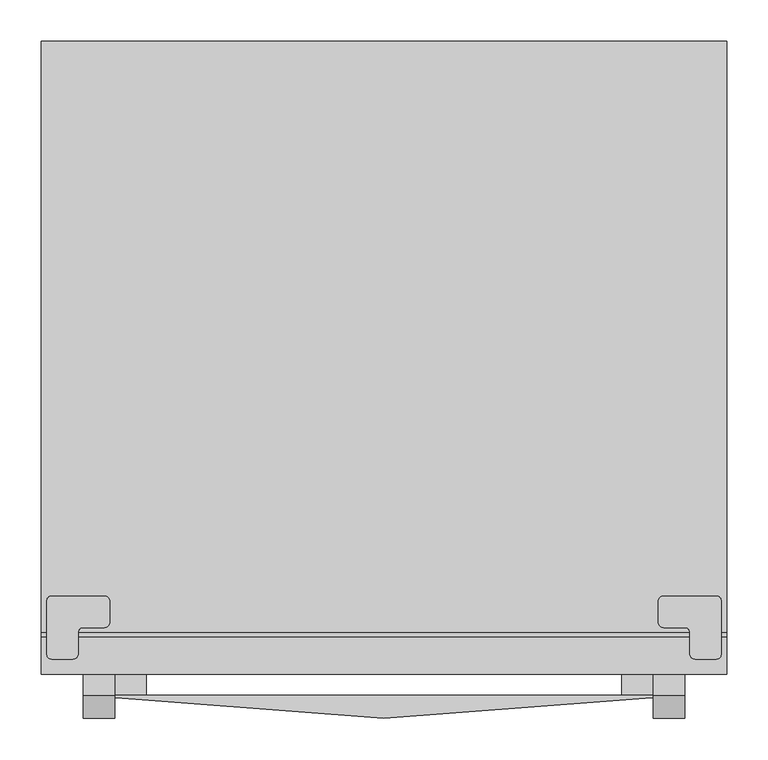
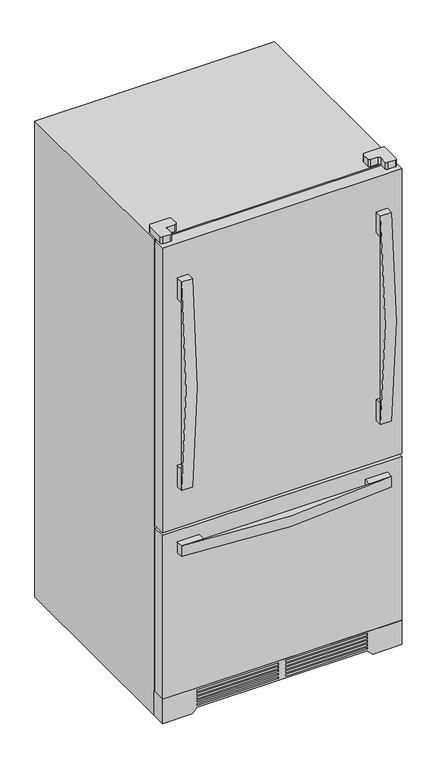
"""IFC4 building model written with IfcOpenShell, lengths in millimetres: proxy geometry."""

from ifc_helpers import new_model, si_unit, point, frame, frame_2d, origin, place, context, project, spatial, polyline, circle_curve, trimmed, segment, composite_curve, outline, extrude, faceted_brep, source, transform, mapped, element, save


def specialty_equipment_e6f5dee1(model_context):
    return source(origin(), model_context, "Body", "SolidModel", [
        extrude(outline(composite_curve([segment(trimmed(circle_curve(frame_2d((12.7, -677.0673091)), 6.35), [point((6.35, -677.0673091))], [point((12.7, -670.7173091))], False, "CARTESIAN"), True, "CONTINUOUS"), segment(polyline([(12.7, -670.7173091), (76.2, -670.7173091)]), True, "CONTINUOUS"), segment(trimmed(circle_curve(frame_2d((76.2, -677.0673091)), 6.35), [point((76.2, -670.7173091))], [point((82.55, -677.0673091))], False, "CARTESIAN"), True, "CONTINUOUS"), segment(polyline([(82.55, -677.0673091), (82.55, -702.4673091)]), True, "CONTINUOUS"), segment(trimmed(circle_curve(frame_2d((76.2, -702.4673091)), 6.35), [point((82.55, -702.4673091))], [point((76.2, -708.8173091))], False, "CARTESIAN"), True, "CONTINUOUS"), segment(polyline([(76.2, -708.8173091), (50.8, -708.8173091)]), True, "CONTINUOUS"), segment(trimmed(circle_curve(frame_2d((50.8, -715.1673091)), 6.35), [point((50.8, -708.8173091))], [point((44.45, -715.1673091))], True, "CARTESIAN"), True, "CONTINUOUS"), segment(polyline([(44.45, -715.1673091), (44.45, -740.5673091)]), True, "CONTINUOUS"), segment(trimmed(circle_curve(frame_2d((38.1, -740.5673091)), 6.35), [point((44.45, -740.5673091))], [point((38.1, -746.9173091))], False, "CARTESIAN"), True, "CONTINUOUS"), segment(polyline([(38.1, -746.9173091), (12.7, -746.9173091)]), True, "CONTINUOUS"), segment(trimmed(circle_curve(frame_2d((12.7, -740.5673091)), 6.35), [point((12.7, -746.9173091))], [point((6.35, -740.5673091))], False, "CARTESIAN"), True, "CONTINUOUS"), segment(polyline([(6.35, -740.5673091), (6.35, -677.0673091)]), True, "CONTINUOUS")], self_intersect=False)), frame((0.0, 0.0, 1739.9), z_axis=(0.0, 0.0, 1.0), x_axis=(1.0, 0.0, 0.0)), (0.0, 0.0, 1.0), 25.4),
        extrude(outline(composite_curve([segment(trimmed(circle_curve(frame_2d((3413.0663236, 1231.9)), 4214.6771428), [point((-790.575, 1536.7))], [point((-790.575, 927.1))], True, "CARTESIAN"), True, "CONTINUOUS"), segment(polyline([(-790.575, 927.1), (-790.575, 850.9)]), True, "CONTINUOUS"), segment(trimmed(circle_curve(frame_2d((1780.119082, 1231.9)), 2598.7745311), [point((-790.575, 850.9))], [point((-790.575, 1612.9))], False, "CARTESIAN"), True, "CONTINUOUS"), segment(polyline([(-790.575, 1612.9), (-790.575, 1536.7)]), True, "CONTINUOUS")], self_intersect=False)), frame((739.775, 0.0, 0.0), z_axis=(1.0, 0.0, 0.0), x_axis=(0.0, 1.0, 0.0)), (0.0, 0.0, 1.0), 38.1),
        extrude(outline(polyline([(739.775, -790.575), (739.775, -765.175), (777.875, -765.175), (777.875, -790.575), (739.775, -790.575)])), frame((0.0, 0.0, 1536.7), z_axis=(0.0, 0.0, 1.0), x_axis=(1.0, 0.0, 0.0)), (0.0, 0.0, 1.0), 76.2),
        extrude(outline(polyline([(739.775, -790.575), (739.775, -765.175), (777.875, -765.175), (777.875, -790.575), (739.775, -790.575)])), frame((0.0, 0.0, 850.9), z_axis=(0.0, 0.0, 1.0), x_axis=(1.0, 0.0, 0.0)), (0.0, 0.0, 1.0), 76.2),
        extrude(outline(composite_curve([segment(polyline([(822.325, -677.0673091), (822.325, -740.5673091)]), True, "CONTINUOUS"), segment(trimmed(circle_curve(frame_2d((815.975, -740.5673091)), 6.35), [point((822.325, -740.5673091))], [point((815.975, -746.9173091))], False, "CARTESIAN"), True, "CONTINUOUS"), segment(polyline([(815.975, -746.9173091), (790.575, -746.9173091)]), True, "CONTINUOUS"), segment(trimmed(circle_curve(frame_2d((790.575, -740.5673091)), 6.35), [point((790.575, -746.9173091))], [point((784.225, -740.5673091))], False, "CARTESIAN"), True, "CONTINUOUS"), segment(polyline([(784.225, -740.5673091), (784.225, -715.1673091)]), True, "CONTINUOUS"), segment(trimmed(circle_curve(frame_2d((777.875, -715.1673091)), 6.35), [point((784.225, -715.1673091))], [point((777.875, -708.8173091))], True, "CARTESIAN"), True, "CONTINUOUS"), segment(polyline([(777.875, -708.8173091), (752.475, -708.8173091)]), True, "CONTINUOUS"), segment(trimmed(circle_curve(frame_2d((752.475, -702.4673091)), 6.35), [point((752.475, -708.8173091))], [point((746.125, -702.4673091))], False, "CARTESIAN"), True, "CONTINUOUS"), segment(polyline([(746.125, -702.4673091), (746.125, -677.0673091)]), True, "CONTINUOUS"), segment(trimmed(circle_curve(frame_2d((752.475, -677.0673091)), 6.35), [point((746.125, -677.0673091))], [point((752.475, -670.7173091))], False, "CARTESIAN"), True, "CONTINUOUS"), segment(polyline([(752.475, -670.7173091), (815.975, -670.7173091)]), True, "CONTINUOUS"), segment(trimmed(circle_curve(frame_2d((815.975, -677.0673091)), 6.35), [point((815.975, -670.7173091))], [point((822.325, -677.0673091))], False, "CARTESIAN"), True, "CONTINUOUS")], self_intersect=False)), frame((0.0, 0.0, 1739.9), z_axis=(0.0, 0.0, 1.0), x_axis=(1.0, 0.0, 0.0)), (0.0, 0.0, 1.0), 25.4),
        extrude(outline(composite_curve([segment(trimmed(circle_curve(frame_2d((3413.0663236, 1231.9)), 4214.6771428), [point((-790.575, 1536.7))], [point((-790.575, 927.1))], True, "CARTESIAN"), True, "CONTINUOUS"), segment(polyline([(-790.575, 927.1), (-790.575, 850.9)]), True, "CONTINUOUS"), segment(trimmed(circle_curve(frame_2d((1780.119082, 1231.9)), 2598.7745311), [point((-790.575, 850.9))], [point((-790.575, 1612.9))], False, "CARTESIAN"), True, "CONTINUOUS"), segment(polyline([(-790.575, 1612.9), (-790.575, 1536.7)]), True, "CONTINUOUS")], self_intersect=False)), frame((50.8, 0.0, 0.0), z_axis=(1.0, 0.0, 0.0), x_axis=(0.0, 1.0, 0.0)), (0.0, 0.0, 1.0), 38.1),
        extrude(outline(polyline([(88.9, -765.175), (88.9, -790.575), (50.8, -790.575), (50.8, -765.175), (88.9, -765.175)])), frame((0.0, 0.0, 1536.7), z_axis=(0.0, 0.0, 1.0), x_axis=(1.0, 0.0, 0.0)), (0.0, 0.0, 1.0), 76.2),
        extrude(outline(polyline([(88.9, -765.175), (88.9, -790.575), (50.8, -790.575), (50.8, -765.175), (88.9, -765.175)])), frame((0.0, 0.0, 850.9), z_axis=(0.0, 0.0, 1.0), x_axis=(1.0, 0.0, 0.0)), (0.0, 0.0, 1.0), 76.2),
        extrude(outline(composite_curve([segment(trimmed(circle_curve(frame_2d((414.3375, 2959.2543361)), 3760.8221028), [point((127.0, -790.575))], [point((701.675, -790.575))], True, "CARTESIAN"), True, "CONTINUOUS"), segment(polyline([(701.675, -790.575), (777.875, -790.575)]), True, "CONTINUOUS"), segment(trimmed(circle_curve(frame_2d((414.3375, 1554.5157079)), 2373.1013341), [point((777.875, -790.575))], [point((50.8, -790.575))], False, "CARTESIAN"), True, "CONTINUOUS"), segment(polyline([(50.8, -790.575), (127.0, -790.575)]), True, "CONTINUOUS")], self_intersect=False)), frame((0.0, 0.0, 609.6), z_axis=(0.0, 0.0, 1.0), x_axis=(1.0, 0.0, 0.0)), (0.0, 0.0, 1.0), 38.1),
        extrude(outline(polyline([(127.0, -765.175), (127.0, -790.575), (50.8, -790.575), (50.8, -765.175), (127.0, -765.175)])), frame((0.0, 0.0, 609.6), z_axis=(0.0, 0.0, 1.0), x_axis=(1.0, 0.0, 0.0)), (0.0, 0.0, 1.0), 38.1),
        extrude(outline(polyline([(701.675, -765.175), (777.875, -765.175), (777.875, -790.575), (701.675, -790.575), (701.675, -765.175)])), frame((0.0, 0.0, 609.6), z_axis=(0.0, 0.0, 1.0), x_axis=(1.0, 0.0, 0.0)), (0.0, 0.0, 1.0), 38.1),
        extrude(outline(polyline([(0.0, 0.0), (0.0, 101.6), (17.9605122, 119.5605122), (17.9605122, 709.1144878), (0.0, 727.075), (0.0, 828.675), (88.9, 828.675), (88.9, 0.0), (0.0, 0.0)]), holes=[polyline([(56.6052561, 119.5605122), (56.6052561, 401.6375), (50.2552561, 401.6375), (50.2552561, 119.5605122), (56.6052561, 119.5605122)]), polyline([(69.3052561, 119.5605122), (69.3052561, 401.6375), (62.9552561, 401.6375), (62.9552561, 119.5605122), (69.3052561, 119.5605122)]), polyline([(43.9052561, 119.5605122), (43.9052561, 401.6375), (37.5552561, 401.6375), (37.5552561, 119.5605122), (43.9052561, 119.5605122)]), polyline([(31.2052561, 119.5605122), (31.2052561, 401.6375), (24.8552561, 401.6375), (24.8552561, 119.5605122), (31.2052561, 119.5605122)]), polyline([(82.0052561, 119.5605122), (82.0052561, 401.6375), (75.6552561, 401.6375), (75.6552561, 119.5605122), (82.0052561, 119.5605122)]), polyline([(56.6052561, 709.1144878), (50.2552561, 709.1144878), (50.2552561, 427.0375), (56.6052561, 427.0375), (56.6052561, 709.1144878)]), polyline([(69.3052561, 709.1144878), (62.9552561, 709.1144878), (62.9552561, 427.0375), (69.3052561, 427.0375), (69.3052561, 709.1144878)]), polyline([(43.9052561, 709.1144878), (37.5552561, 709.1144878), (37.5552561, 427.0375), (43.9052561, 427.0375), (43.9052561, 709.1144878)]), polyline([(31.2052561, 709.1144878), (24.8552561, 709.1144878), (24.8552561, 427.0375), (31.2052561, 427.0375), (31.2052561, 709.1144878)]), polyline([(82.0052561, 709.1144878), (75.6552561, 709.1144878), (75.6552561, 427.0375), (82.0052561, 427.0375), (82.0052561, 709.1144878)])]), frame((0.0, -765.175, 0.0), z_axis=(0.0, 1.0, 0.0), x_axis=(0.0, 0.0, 1.0)), (0.0, 0.0, 1.0), 50.8),
        extrude(outline(composite_curve([segment(polyline([(828.675, -720.725), (828.675, -765.175)]), True, "CONTINUOUS"), segment(trimmed(circle_curve(frame_2d((414.3375, 3731.2203125)), 4515.4453125), [point((828.675, -765.175))], [point((0.0, -765.175))], False, "CARTESIAN"), True, "CONTINUOUS"), segment(polyline([(0.0, -765.175), (0.0, -720.725), (828.675, -720.725)]), True, "CONTINUOUS")], self_intersect=False)), frame((0.0, 0.0, 698.5), z_axis=(0.0, 0.0, 1.0), x_axis=(1.0, 0.0, 0.0)), (0.0, 0.0, 1.0), 1041.4),
        extrude(outline(composite_curve([segment(polyline([(0.0, -765.175), (0.0, -720.725), (828.675, -720.725), (828.675, -765.175)]), True, "CONTINUOUS"), segment(trimmed(circle_curve(frame_2d((414.3375, 3731.2203125)), 4515.4453125), [point((828.675, -765.175))], [point((0.0, -765.175))], False, "CARTESIAN"), True, "CONTINUOUS")], self_intersect=False)), frame((0.0, 0.0, 88.9), z_axis=(0.0, 0.0, 1.0), x_axis=(1.0, 0.0, 0.0)), (0.0, 0.0, 1.0), 599.44),
        faceted_brep([(828.675, 0.0, 0.0), (828.675, 0.0, 1739.9), (828.675, -714.375, 1739.9), (828.675, -714.375, 0.0), (0.0, -714.375, 0.0), (0.0, -714.375, 1739.9), (0.0, 0.0, 1739.9), (0.0, 0.0, 0.0), (790.575, -25.4, 1701.8), (38.1, -25.4, 1701.8), (38.1, -25.4, 711.2), (790.575, -25.4, 711.2), (38.1, -25.4, 673.1), (38.1, -25.4, 114.3), (790.575, -25.4, 114.3), (790.575, -25.4, 673.1), (38.1, -714.375, 1701.8), (790.575, -714.375, 1701.8), (790.575, -714.375, 711.2), (38.1, -714.375, 711.2), (38.1, -714.375, 114.3), (38.1, -714.375, 673.1), (790.575, -714.375, 673.1), (790.575, -714.375, 114.3)], [[[0, 1, 2, 3]], [[4, 5, 6, 7]], [[1, 0, 7, 6]], [[2, 1, 6, 5]], [[8, 9, 10, 11]], [[12, 13, 14, 15]], [[0, 3, 4, 7]], [[3, 2, 5, 4], [16, 17, 18, 19], [20, 21, 22, 23]], [[17, 16, 9, 8]], [[18, 17, 8, 11]], [[19, 18, 11, 10]], [[16, 19, 10, 9]], [[21, 20, 13, 12]], [[22, 21, 12, 15]], [[23, 22, 15, 14]], [[20, 23, 14, 13]]]),
    ])


if __name__ == "__main__":
    model = new_model("IFC4")
    model_context = context("Model", 3, world=origin())
    ifc_project = project(units=[si_unit("LENGTHUNIT", "METRE", prefix="MILLI")], contexts=[model_context])
    site = spatial("IfcSite", under=ifc_project)
    building = spatial("IfcBuilding", under=site)
    placement = place(None, origin())
    specialty_equipment_shape = specialty_equipment_e6f5dee1(model_context)
    element("IfcBuildingElementProxy", 1, Name="Specialty Equipment", at=placement, inside=building, context=model_context, shape_type="MappedRepresentation", body=[
        mapped(specialty_equipment_shape, transform((0.0, 0.0, 0.0), x_axis=(1.0, 0.0, 0.0), y_axis=(0.0, 1.0, 0.0), z_axis=(0.0, 0.0, 1.0))),
    ])
    save(model, "model.ifc")
